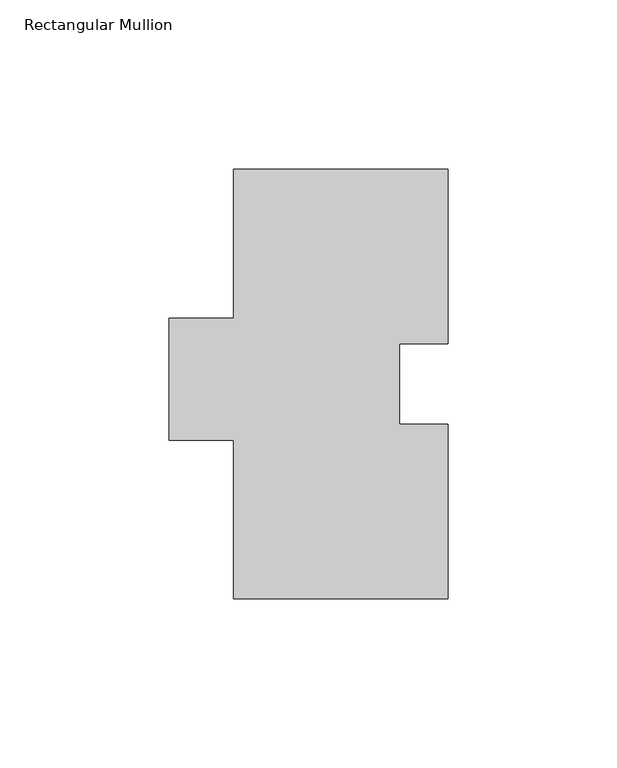
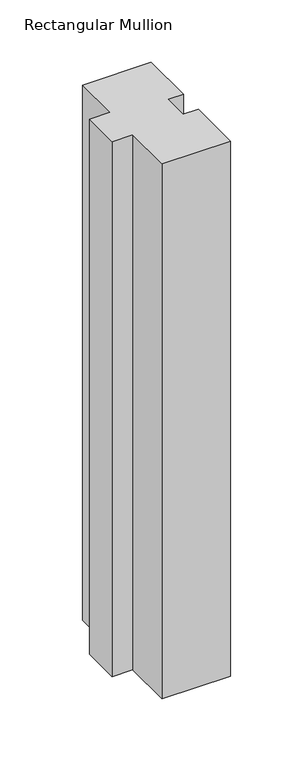
"""IFC4 building model written with IfcOpenShell, lengths in millimetres: member geometry, Rectangular Mullion."""

from ifc_helpers import new_model, si_unit, frame, origin, place, context, project, spatial, polyline, outline, extrude, source, transform, mapped, element, save


def rectangular_mullion_3df19d2e(model_context):
    return source(origin(), model_context, "Body", "SweptSolid", [
        extrude(outline(polyline([(17.4622287, 75.3999), (17.4622287, 51.6001), (31.7497287, 51.6001), (31.7497287, 0.0), (-31.7497287, 0.0), (-31.7497287, 46.83125), (-50.8002713, 46.83125), (-50.8002713, 82.9250181), (-31.7502713, 82.9250181), (-31.7502713, 127.0), (31.7502713, 127.0), (31.7502713, 75.3999), (17.4622287, 75.3999)])), frame((0.0, 0.0, -523.875), z_axis=(0.0, 0.0, 1.0), x_axis=(1.0, 0.0, 0.0)), (0.0, 0.0, 1.0), 523.875),
    ])


if __name__ == "__main__":
    model = new_model("IFC4")
    model_context = context("Model", 3, world=origin())
    ifc_project = project(units=[si_unit("LENGTHUNIT", "METRE", prefix="MILLI")], contexts=[model_context])
    site = spatial("IfcSite", under=ifc_project)
    building = spatial("IfcBuilding", under=site)
    placement = place(None, origin())
    rectangular_mullion_shape = rectangular_mullion_3df19d2e(model_context)
    element("IfcMember", 1, ObjectType="Rectangular Mullion", at=placement, inside=building, context=model_context, shape_type="MappedRepresentation", body=[
        mapped(rectangular_mullion_shape, transform((0.0, 0.0, 0.0), x_axis=(1.0, 0.0, 0.0), y_axis=(0.0, 1.0, 0.0), z_axis=(0.0, 0.0, 1.0))),
    ])
    save(model, "model.ifc")
